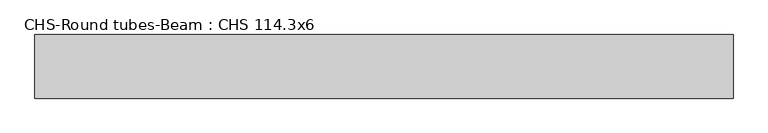
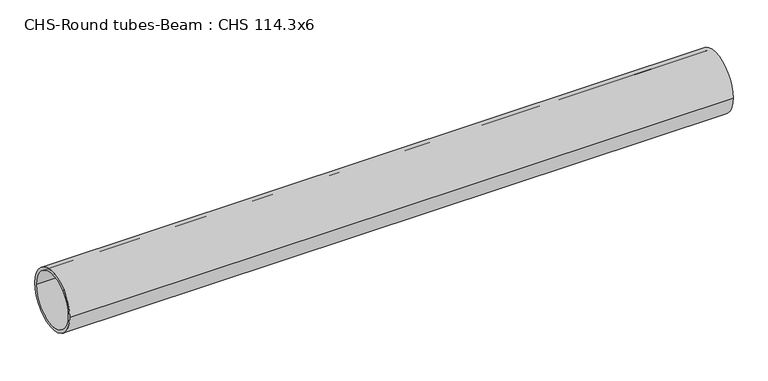
"""IFC4 building model written with IfcOpenShell, lengths in millimetres: beam geometry, CHS-Round tubes-Beam : CHS 114.3x6."""

import ifcopenshell
import ifcopenshell.guid

model = None  # the IFC model being written
_history = None  # IfcOwnerHistory: only IFC2X3 demands one
_inside = {}  # id of a spatial element -> (the spatial element, [elements in it])
_under = {}  # id of a project, library or spatial element -> (it, [spatial elements below it])
_declared = {}  # id of a project -> (the project, [libraries it declares])
_typed = {}  # id of a type object -> (the type object, [elements of that type])
_made_of = {}  # id of a material, layer set ... -> (it, [elements and type objects made of it])


def new_model(schema):
    """Start an empty IFC model of exactly this schema.

    Asked for "IFC4X3", IfcOpenShell would pick the latest addendum, in which some entities
    have other attributes; the version numbers below select the first issue.
    IFC2X3 requires an IfcOwnerHistory on every rooted entity: one is made here for all.
    """
    global model, _history
    if schema == "IFC4X3":
        model = ifcopenshell.file(schema_version=(4, 3, 0, 0))
    else:
        model = ifcopenshell.file(schema=schema)
    _inside.clear()
    _under.clear()
    _declared.clear()
    _typed.clear()
    _made_of.clear()
    _history = None
    if model.schema == "IFC2X3":
        org = make("IfcOrganization", Name="unknown")
        user = make(
            "IfcPersonAndOrganization",
            ThePerson=make("IfcPerson", FamilyName="unknown"),
            TheOrganization=org,
        )
        app = make(
            "IfcApplication",
            ApplicationDeveloper=org,
            Version="unknown",
            ApplicationFullName="unknown",
            ApplicationIdentifier="unknown",
        )
        _history = make(
            "IfcOwnerHistory",
            OwningUser=user,
            OwningApplication=app,
            ChangeAction="ADDED",
            CreationDate=0,
        )
    return model


def make(cls, **values):
    """One entity of the class cls with the attributes given. An attribute that is None is left unset."""
    return model.create_entity(
        cls, **{name: value for name, value in values.items() if value is not None}
    )


def rooted(cls, **values):
    """An entity with a GlobalId (a new one), such as an element, a storey or a relation."""
    return make(cls, GlobalId=ifcopenshell.guid.new(), OwnerHistory=_history, **values)


def si_unit(unit_type, name, prefix=None):
    """IfcSIUnit, for example si_unit("LENGTHUNIT", "METRE", prefix="MILLI")."""
    return make("IfcSIUnit", UnitType=unit_type, Prefix=prefix, Name=name)


def assignment(units):
    """IfcUnitAssignment: the units of a project."""
    return None if units is None else make("IfcUnitAssignment", Units=units)


def point(xyz):
    """IfcCartesianPoint."""
    return None if xyz is None else make("IfcCartesianPoint", Coordinates=xyz)


def direction(xyz):
    """IfcDirection."""
    return None if xyz is None else make("IfcDirection", DirectionRatios=xyz)


def frame(location, z_axis=None, x_axis=None):
    """IfcAxis2Placement3D, a coordinate frame: its origin and axes. An axis left out is left unset."""
    return make(
        "IfcAxis2Placement3D",
        Location=point(location),
        Axis=direction(z_axis),
        RefDirection=direction(x_axis),
    )


def frame_2d(location, x_axis=None):
    """IfcAxis2Placement2D, a coordinate frame in the plane: its origin and x axis."""
    return make(
        "IfcAxis2Placement2D", Location=point(location), RefDirection=direction(x_axis)
    )


def origin():
    """The frame at (0, 0, 0) with its axes left unset."""
    return frame((0.0, 0.0, 0.0))


def origin_2d():
    """The frame at (0, 0) in the plane with its x axis left unset."""
    return frame_2d((0.0, 0.0))


def place(relative_to, where):
    """IfcLocalPlacement: puts the frame where relative to a parent placement (None: the world)."""
    return make(
        "IfcLocalPlacement", PlacementRelTo=relative_to, RelativePlacement=where
    )


def context(
    kind, dimensions, precision=None, world=None, true_north=None, identifier=None
):
    """IfcGeometricRepresentationContext, for example the 3D "Model" context."""
    return make(
        "IfcGeometricRepresentationContext",
        ContextIdentifier=identifier,
        ContextType=kind,
        CoordinateSpaceDimension=dimensions,
        Precision=precision,
        WorldCoordinateSystem=world,
        TrueNorth=true_north,
    )


def project(units=None, contexts=None):
    """IfcProject with its units and contexts."""
    return rooted(
        "IfcProject",
        Name="project",
        RepresentationContexts=contexts,
        UnitsInContext=assignment(units),
    )


def spatial(cls, under=None, at=None, **own):
    """A site, building, storey or space (cls), placed at a placement, below another one or the project."""
    s = rooted(cls, ObjectPlacement=at, **own)
    if under is not None:
        _under.setdefault(under.id(), (under, []))[1].append(s)
    return s


def circle_curve(where, radius):
    """IfcCircle in the frame where."""
    return make("IfcCircle", Position=where, Radius=radius)


def trimmed(basis, trim1, trim2, sense, master):
    """IfcTrimmedCurve: the piece of a basis curve between two trims."""
    return make(
        "IfcTrimmedCurve",
        BasisCurve=basis,
        Trim1=trim1,
        Trim2=trim2,
        SenseAgreement=sense,
        MasterRepresentation=master,
    )


def segment(curve, same_sense, transition):
    """IfcCompositeCurveSegment."""
    return make(
        "IfcCompositeCurveSegment",
        Transition=transition,
        SameSense=same_sense,
        ParentCurve=curve,
    )


def composite_curve(segments, self_intersect=None):
    """IfcCompositeCurve: segments joined end to end."""
    return make("IfcCompositeCurve", Segments=segments, SelfIntersect=self_intersect)


def outline(outer, holes=None, kind="AREA"):
    """IfcArbitraryClosedProfileDef: a profile drawn as a closed curve; with holes, ...WithVoids."""
    if holes is None:
        return make("IfcArbitraryClosedProfileDef", ProfileType=kind, OuterCurve=outer)
    return make(
        "IfcArbitraryProfileDefWithVoids",
        ProfileType=kind,
        OuterCurve=outer,
        InnerCurves=holes,
    )


def extrude(swept, where, along, depth):
    """IfcExtrudedAreaSolid: the profile swept, set in the frame where, extruded along a direction by depth."""
    return make(
        "IfcExtrudedAreaSolid",
        SweptArea=swept,
        Position=where,
        ExtrudedDirection=direction(along),
        Depth=depth,
    )


def shape(context_of_items, identifier, shape_type, items):
    """IfcShapeRepresentation: the items that make up one representation, for example the "Body"."""
    return make(
        "IfcShapeRepresentation",
        ContextOfItems=context_of_items,
        RepresentationIdentifier=identifier,
        RepresentationType=shape_type,
        Items=items,
    )


def source(mapping_origin, context_of_items, identifier, shape_type, items):
    """IfcRepresentationMap: a shape defined once, which mapped items show again and again."""
    return make(
        "IfcRepresentationMap",
        MappingOrigin=mapping_origin,
        MappedRepresentation=shape(context_of_items, identifier, shape_type, items),
    )


def transform(
    local_origin,
    x_axis=None,
    y_axis=None,
    z_axis=None,
    scale=None,
    scale2=None,
    scale3=None,
    uniform=True,
):
    """IfcCartesianTransformationOperator3D, or its non-uniform kind. x_axis, y_axis, z_axis: its Axis1, 2, 3."""
    if uniform:
        return make(
            "IfcCartesianTransformationOperator3D",
            Axis1=direction(x_axis),
            Axis2=direction(y_axis),
            LocalOrigin=point(local_origin),
            Scale=scale,
            Axis3=direction(z_axis),
        )
    return make(
        "IfcCartesianTransformationOperator3DnonUniform",
        Axis1=direction(x_axis),
        Axis2=direction(y_axis),
        LocalOrigin=point(local_origin),
        Scale=scale,
        Axis3=direction(z_axis),
        Scale2=scale2,
        Scale3=scale3,
    )


def mapped(mapping_source, mapping_target):
    """IfcMappedItem: shows the shape of a source again, moved by a transform."""
    return make(
        "IfcMappedItem", MappingSource=mapping_source, MappingTarget=mapping_target
    )


def made_of(thing, what):
    """Note that an element or type object is made of a material, layer set ...; save() writes the relation."""
    if what is not None:
        _made_of.setdefault(what.id(), (what, []))[1].append(thing)
    return thing


def element(
    cls,
    number,
    at=None,
    inside=None,
    cuts=None,
    type_object=None,
    material=None,
    context=None,
    identifier="Body",
    shape_type=None,
    held_by="IfcProductDefinitionShape",
    body=None,
    shapes=None,
    **own,
):
    """One element of the class cls, such as IfcWall. Its Tag is "e" and its number.

    at: its placement. inside: the storey or other place that contains it. cuts: it is an
    opening in that element (IfcRelVoidsElement). A single representation is given by context,
    identifier, shape_type and body (its items); several are given by shapes. held_by: the class
    of the entity that holds the representations. save() writes the other relations.
    """
    e = rooted(cls, Tag="e%d" % number, ObjectPlacement=at, **own)
    if body is not None:
        shapes = [shape(context, identifier, shape_type, body)]
    if shapes is not None:
        e.Representation = make(held_by, Representations=shapes)
    if inside is not None:
        _inside.setdefault(inside.id(), (inside, []))[1].append(e)
    if cuts is not None:
        rooted(
            "IfcRelVoidsElement", RelatingBuildingElement=cuts, RelatedOpeningElement=e
        )
    if type_object is not None:
        _typed.setdefault(type_object.id(), (type_object, []))[1].append(e)
    return made_of(e, material)


def aggregate(whole, parts):
    """IfcRelAggregates: a whole, such as a stair, and the parts it consists of."""
    return rooted("IfcRelAggregates", RelatingObject=whole, RelatedObjects=parts)


def save(model, path):
    """Write the relations noted so far, then the file.

    IfcRelAggregates (storeys below a building ...), IfcRelContainedInSpatialStructure (elements
    in a storey), IfcRelDefinesByType, IfcRelAssociatesMaterial and IfcRelDeclares: one each for
    every whole, place, type object, material and project.
    """
    for whole, parts in _under.values():
        aggregate(whole, parts)
    for where, things in _inside.values():
        rooted(
            "IfcRelContainedInSpatialStructure",
            RelatedElements=things,
            RelatingStructure=where,
        )
    for kind, things in _typed.values():
        rooted("IfcRelDefinesByType", RelatedObjects=things, RelatingType=kind)
    for what, things in _made_of.values():
        rooted("IfcRelAssociatesMaterial", RelatedObjects=things, RelatingMaterial=what)
    for by, libraries in _declared.values():
        rooted("IfcRelDeclares", RelatingContext=by, RelatedDefinitions=libraries)
    model.write(path)


def chs_round_tubes_beam_chs_114_3x6_8559e8e6(model_context):
    return source(origin(), model_context, "Body", "SweptSolid", [
        extrude(outline(composite_curve([segment(trimmed(circle_curve(origin_2d(), 57.15), [point((57.15, 0.0))], [point((-57.15, 0.0))], False, "CARTESIAN"), True, "CONTINUOUS"), segment(trimmed(circle_curve(origin_2d(), 57.15), [point((-57.15, 0.0))], [point((57.15, 0.0))], False, "CARTESIAN"), True, "CONTINUOUS")], self_intersect=False), holes=[composite_curve([segment(trimmed(circle_curve(origin_2d(), 51.15), [point((51.15, 0.0))], [point((-51.15, 0.0))], True, "CARTESIAN"), True, "CONTINUOUS"), segment(trimmed(circle_curve(origin_2d(), 51.15), [point((-51.15, 0.0))], [point((51.15, 0.0))], True, "CARTESIAN"), True, "CONTINUOUS")], self_intersect=False)]), frame((-627.2990445, 0.0, 0.0), z_axis=(1.0, 0.0, 0.0), x_axis=(0.0, 1.0, 0.0)), (0.0, 0.0, 1.0), 1254.5989115),
    ])


if __name__ == "__main__":
    model = new_model("IFC4")
    model_context = context("Model", 3, world=origin())
    ifc_project = project(units=[si_unit("LENGTHUNIT", "METRE", prefix="MILLI")], contexts=[model_context])
    site = spatial("IfcSite", under=ifc_project)
    building = spatial("IfcBuilding", under=site)
    placement = place(None, origin())
    chs_round_tubes_beam_chs_114_3x6_shape = chs_round_tubes_beam_chs_114_3x6_8559e8e6(model_context)
    element("IfcBeam", 1, ObjectType="CHS-Round tubes-Beam : CHS 114.3x6", at=placement, inside=building, context=model_context, shape_type="MappedRepresentation", body=[
        mapped(chs_round_tubes_beam_chs_114_3x6_shape, transform((0.0, 0.0, 0.0), x_axis=(1.0, 0.0, 0.0), y_axis=(0.0, 1.0, 0.0), z_axis=(0.0, 0.0, 1.0))),
    ])
    save(model, "model.ifc")
